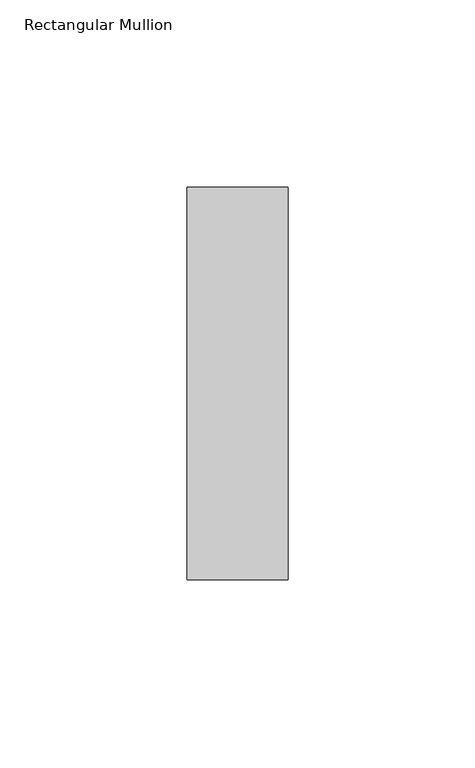
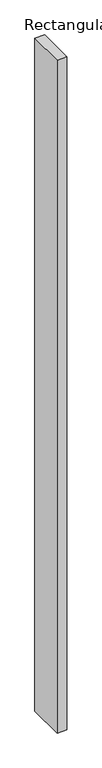
"""IFC4 building model written with IfcOpenShell, lengths in millimetres: member geometry, Rectangular Mullion."""

from ifc_helpers import new_model, si_unit, frame, origin, place, context, project, spatial, polyline, outline, extrude, source, transform, mapped, element, save


def rectangular_mullion_875bb758(model_context):
    return source(origin(), model_context, "Body", "SweptSolid", [
        extrude(outline(polyline([(0.0, 52.3975), (0.0, -52.3975), (-27.0, -52.3975), (-27.0, 52.3975), (0.0, 52.3975)])), frame((0.0, 0.0, -1946.0), z_axis=(0.0, 0.0, 1.0), x_axis=(1.0, 0.0, 0.0)), (0.0, 0.0, 1.0), 1946.0),
    ])


if __name__ == "__main__":
    model = new_model("IFC4")
    model_context = context("Model", 3, world=origin())
    ifc_project = project(units=[si_unit("LENGTHUNIT", "METRE", prefix="MILLI")], contexts=[model_context])
    site = spatial("IfcSite", under=ifc_project)
    building = spatial("IfcBuilding", under=site)
    placement = place(None, origin())
    rectangular_mullion_shape = rectangular_mullion_875bb758(model_context)
    element("IfcMember", 1, ObjectType="Rectangular Mullion", at=placement, inside=building, context=model_context, shape_type="MappedRepresentation", body=[
        mapped(rectangular_mullion_shape, transform((0.0, 0.0, 0.0), x_axis=(1.0, 0.0, 0.0), y_axis=(0.0, 1.0, 0.0), z_axis=(0.0, 0.0, 1.0))),
    ])
    save(model, "model.ifc")
